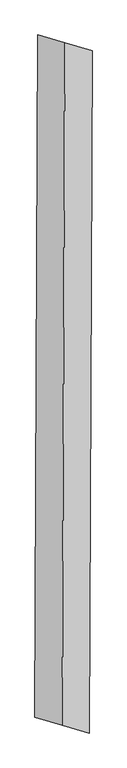
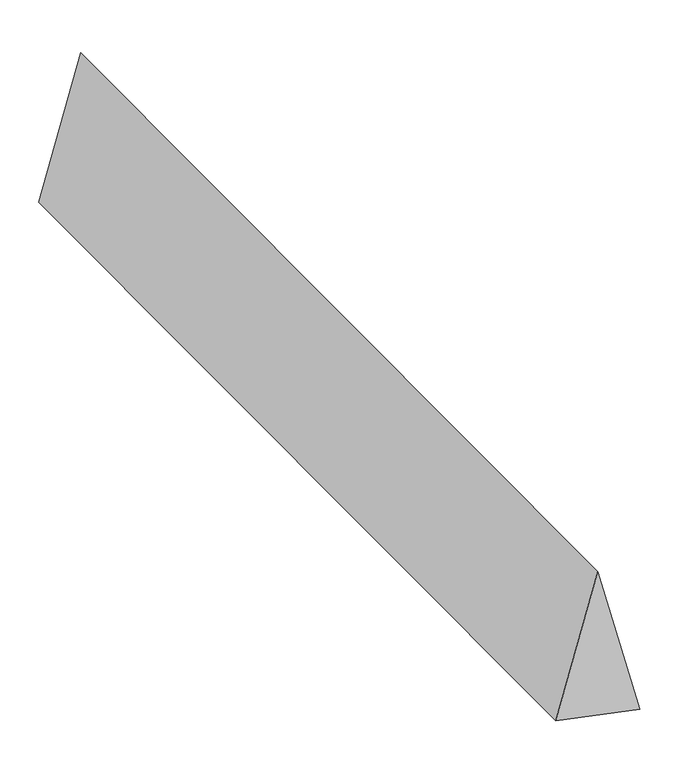
"""IFC4 building model written with IfcOpenShell, lengths in millimetres: proxy geometry."""

from ifc_helpers import new_model, si_unit, origin, place, context, project, spatial, faceted_brep, source, transform, mapped, element, save


def generic_models_3e8d1789(model_context):
    return source(origin(), model_context, "Body", "Brep", [
        faceted_brep([(-8.9188782, -2082.7262023, 700.0), (156.7381817, -2131.6388718, 0.0), (174.5759382, 2033.8135328, 0.0), (8.9188782, 2082.7262023, 700.0), (-174.5759382, -2033.8135328, 0.0), (-156.7381817, 2131.6388718, 0.0)], [[[0, 1, 2, 3]], [[1, 4, 5, 2]], [[4, 0, 3, 5]], [[3, 2, 5]], [[0, 4, 1]]]),
    ])


if __name__ == "__main__":
    model = new_model("IFC4")
    model_context = context("Model", 3, world=origin())
    ifc_project = project(units=[si_unit("LENGTHUNIT", "METRE", prefix="MILLI")], contexts=[model_context])
    site = spatial("IfcSite", under=ifc_project)
    building = spatial("IfcBuilding", under=site)
    placement = place(None, origin())
    generic_models_shape = generic_models_3e8d1789(model_context)
    element("IfcBuildingElementProxy", 1, Name="Generic Models", at=placement, inside=building, context=model_context, shape_type="MappedRepresentation", body=[
        mapped(generic_models_shape, transform((0.0, 0.0, 0.0), x_axis=(1.0, 0.0, 0.0), y_axis=(0.0, 1.0, 0.0), z_axis=(0.0, 0.0, 1.0))),
    ])
    save(model, "model.ifc")
